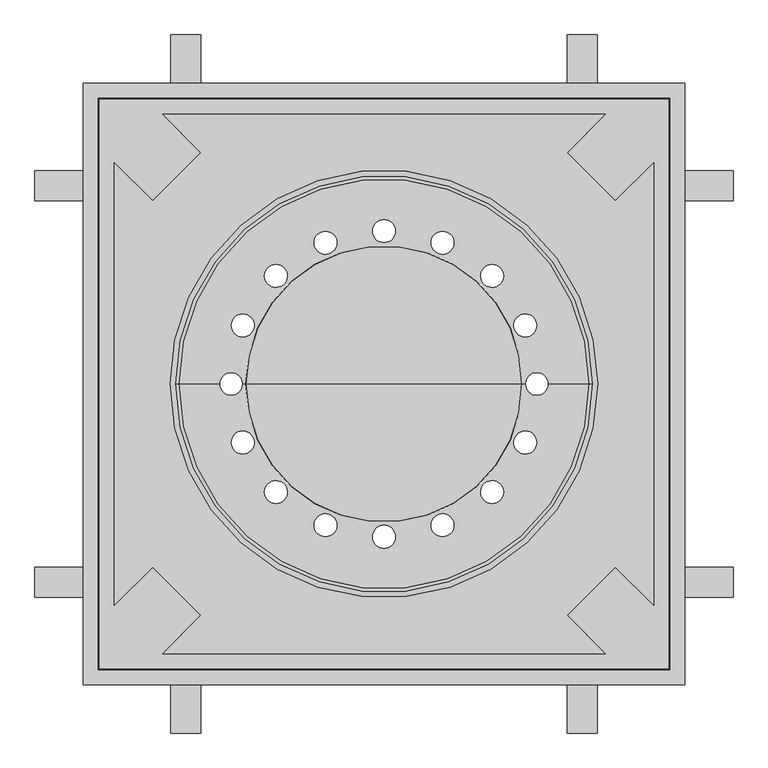
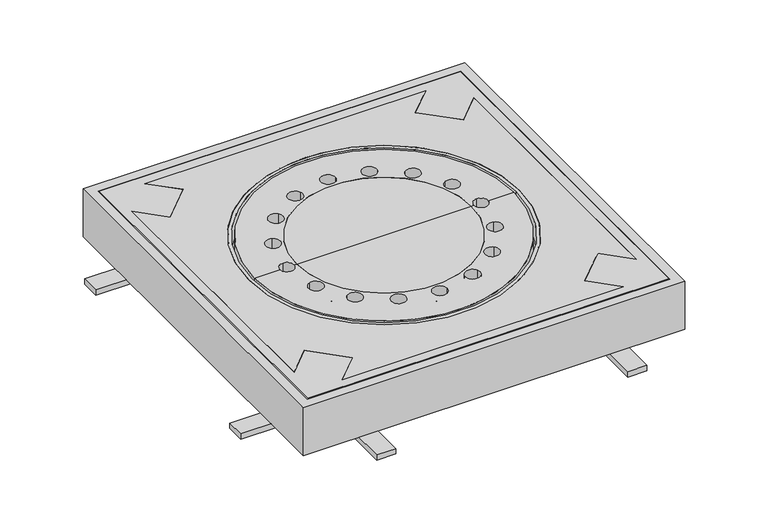
"""IFC4 building model written with IfcOpenShell, lengths in millimetres: sanitary terminal geometry."""

from ifc_helpers import new_model, si_unit, point, frame, origin, origin_with_axes, origin_2d, place, context, project, spatial, polyline, circle_curve, ellipse_curve, trimmed, segment, composite_curve, outline, extrude, faceted_brep, source, transform, mapped, element, save
from ifc_brep_helpers import plane_surface, cylinder_surface, revolved_surface, advanced_brep


def sanitary_terminal_23258b8e(model_context):
    return source(origin(), model_context, "Body", "SolidModel", [
        advanced_brep(
        [(-303.6832311, 0.0, -30.0), (303.6832311, 0.0, -30.0), (273.0005586, 0.0, -30.0), (254.0006061, 18.9999525, -30.0), (235.0006536, 0.0, -30.0), (230.9898986, 0.0, -30.0), (-230.9898986, 0.0, -30.0), (-235.0006536, 0.0, -30.0), (-254.0006061, 18.9999525, -30.0), (-273.0005586, 0.0, -30.0), (18.9999525, 254.0006061, -30.0), (-18.9999525, 254.0006061, -30.0), (114.755491, 227.3949942, -30.0), (79.6481565, 241.9369282, -30.0), (-79.6481565, 241.9369282, -30.0), (-114.755491, 227.3949942, -30.0), (-166.1705557, 193.0405462, -30.0), (-193.0405462, 166.1705557, -30.0), (-227.3949942, 114.755491, -30.0), (-241.9369282, 79.6481565, -30.0), (241.9369282, 79.6481565, -30.0), (227.3949942, 114.755491, -30.0), (193.0405462, 166.1705557, -30.0), (166.1705557, 193.0405462, -30.0), (-254.0006061, -18.9999525, -30.0), (254.0006061, -18.9999525, -30.0), (-241.9369282, -79.6481565, -30.0), (-227.3949942, -114.755491, -30.0), (-193.0405462, -166.1705557, -30.0), (-166.1705557, -193.0405462, -30.0), (-114.755491, -227.3949942, -30.0), (-79.6481565, -241.9369282, -30.0), (-18.9999525, -254.0006061, -30.0), (18.9999525, -254.0006061, -30.0), (79.6481565, -241.9369282, -30.0), (114.755491, -227.3949942, -30.0), (166.1705557, -193.0405462, -30.0), (193.0405462, -166.1705557, -30.0), (227.3949942, -114.755491, -30.0), (241.9369282, -79.6481565, -30.0), (-303.6832311, 0.0, -50.0), (303.6832311, 0.0, -50.0), (-340.0, 0.0, -50.0), (340.0, 0.0, -50.0), (-340.0, 0.0, 0.0), (340.0, 0.0, 0.0), (-273.0005586, 0.0, 0.0), (-254.0006061, 18.9999525, 0.0), (-235.0006536, 0.0, 0.0), (-229.2856784, 0.0, 0.0), (229.2856784, 0.0, 0.0), (235.0006536, 0.0, 0.0), (254.0006061, 18.9999525, 0.0), (273.0005586, 0.0, 0.0), (-18.9999525, 254.0006061, 0.0), (18.9999525, 254.0006061, 0.0), (79.6481565, 241.9369282, 0.0), (114.755491, 227.3949942, 0.0), (-114.755491, 227.3949942, 0.0), (-79.6481565, 241.9369282, 0.0), (-193.0405462, 166.1705557, 0.0), (-166.1705557, 193.0405462, 0.0), (-241.9369282, 79.6481565, 0.0), (-227.3949942, 114.755491, 0.0), (227.3949942, 114.755491, 0.0), (241.9369282, 79.6481565, 0.0), (166.1705557, 193.0405462, 0.0), (193.0405462, 166.1705557, 0.0), (254.0006061, -18.9999525, 0.0), (-254.0006061, -18.9999525, 0.0), (-227.3949942, -114.755491, 0.0), (-241.9369282, -79.6481565, 0.0), (-166.1705557, -193.0405462, 0.0), (-193.0405462, -166.1705557, 0.0), (-79.6481565, -241.9369282, 0.0), (-114.755491, -227.3949942, 0.0), (18.9999525, -254.0006061, 0.0), (-18.9999525, -254.0006061, 0.0), (114.755491, -227.3949942, 0.0), (79.6481565, -241.9369282, 0.0), (193.0405462, -166.1705557, 0.0), (166.1705557, -193.0405462, 0.0), (241.9369282, -79.6481565, 0.0), (227.3949942, -114.755491, 0.0), (-124.960464, 0.0, -90.0), (124.960464, 0.0, -90.0), (0.0, 0.0, -90.0), (-124.9816933, 0.0, -100.0), (124.9816933, 0.0, -100.0), (0.0, 0.0, -100.0)],
        [
            (0, 1, circle_curve(frame((0.0, 0.0, -30.0), z_axis=(0.0, 0.0, -1.0), x_axis=(1.0, 0.0, 0.0)), 303.6832311)),
            (1, 2),
            (2, 3, circle_curve(frame((254.0006061, 0.0, -30.0), z_axis=(0.0, 0.0, 1.0), x_axis=(0.0, 1.0, 0.0)), 18.9999525)),
            (3, 4, circle_curve(frame((254.0006061, 0.0, -30.0), z_axis=(0.0, 0.0, 1.0), x_axis=(0.0, 1.0, 0.0)), 18.9999525)),
            (4, 5),
            (5, 6, circle_curve(frame((0.0, 0.0, -30.0), z_axis=(0.0, 0.0, 1.0), x_axis=(1.0, 0.0, 0.0)), 230.9898986)),
            (6, 7),
            (7, 8, circle_curve(frame((-254.0006061, 0.0, -30.0), z_axis=(0.0, 0.0, 1.0), x_axis=(0.0, -1.0, 0.0)), 18.9999525)),
            (8, 9, circle_curve(frame((-254.0006061, 0.0, -30.0), z_axis=(0.0, 0.0, 1.0), x_axis=(0.0, -1.0, 0.0)), 18.9999525)),
            (9, 0),
            (10, 11, circle_curve(frame((0.0, 254.0006061, -30.0), z_axis=(0.0, 0.0, 1.0), x_axis=(-1.0, 0.0, 0.0)), 18.9999525)),
            (11, 10, circle_curve(frame((0.0, 254.0006061, -30.0), z_axis=(0.0, 0.0, 1.0), x_axis=(-1.0, 0.0, 0.0)), 18.9999525)),
            (12, 13, circle_curve(frame((97.2018238, 234.6659612, -30.0), z_axis=(0.0, 0.0, 1.0), x_axis=(-0.9238795325112796, 0.3826834323651073, 0.0)), 18.9999525)),
            (13, 12, circle_curve(frame((97.2018238, 234.6659612, -30.0), z_axis=(0.0, 0.0, 1.0), x_axis=(-0.9238795325112796, 0.3826834323651073, 0.0)), 18.9999525)),
            (14, 15, circle_curve(frame((-97.2018238, 234.6659612, -30.0), z_axis=(0.0, 0.0, 1.0), x_axis=(-0.9238795325112918, -0.3826834323650778, 0.0)), 18.9999525)),
            (15, 14, circle_curve(frame((-97.2018238, 234.6659612, -30.0), z_axis=(0.0, 0.0, 1.0), x_axis=(-0.9238795325112918, -0.3826834323650778, 0.0)), 18.9999525)),
            (16, 17, circle_curve(frame((-179.605551, 179.605551, -30.0), z_axis=(0.0, 0.0, 1.0), x_axis=(-0.7071067811865571, -0.7071067811865379, 0.0)), 18.9999525)),
            (17, 16, circle_curve(frame((-179.605551, 179.605551, -30.0), z_axis=(0.0, 0.0, 1.0), x_axis=(-0.7071067811865571, -0.7071067811865379, 0.0)), 18.9999525)),
            (18, 19, circle_curve(frame((-234.6659612, 97.2018238, -30.0), z_axis=(0.0, 0.0, 1.0), x_axis=(-0.38268343236510255, -0.9238795325112815, 0.0)), 18.9999525)),
            (19, 18, circle_curve(frame((-234.6659612, 97.2018238, -30.0), z_axis=(0.0, 0.0, 1.0), x_axis=(-0.38268343236510255, -0.9238795325112815, 0.0)), 18.9999525)),
            (20, 21, circle_curve(frame((234.6659612, 97.2018238, -30.0), z_axis=(0.0, 0.0, 1.0), x_axis=(-0.38268343236506164, 0.9238795325112984, 0.0)), 18.9999525)),
            (21, 20, circle_curve(frame((234.6659612, 97.2018238, -30.0), z_axis=(0.0, 0.0, 1.0), x_axis=(-0.38268343236506164, 0.9238795325112984, 0.0)), 18.9999525)),
            (22, 23, circle_curve(frame((179.605551, 179.605551, -30.0), z_axis=(0.0, 0.0, 1.0), x_axis=(-0.7071067811865347, 0.7071067811865603, 0.0)), 18.9999525)),
            (23, 22, circle_curve(frame((179.605551, 179.605551, -30.0), z_axis=(0.0, 0.0, 1.0), x_axis=(-0.7071067811865347, 0.7071067811865603, 0.0)), 18.9999525)),
            (1, 0, circle_curve(frame((0.0, 0.0, -30.0), z_axis=(0.0, 0.0, -1.0), x_axis=(1.0, 0.0, 0.0)), 303.6832311)),
            (9, 24, circle_curve(frame((-254.0006061, 0.0, -30.0), z_axis=(0.0, 0.0, 1.0), x_axis=(0.0, -1.0, 0.0)), 18.9999525)),
            (24, 7, circle_curve(frame((-254.0006061, 0.0, -30.0), z_axis=(0.0, 0.0, 1.0), x_axis=(0.0, -1.0, 0.0)), 18.9999525)),
            (6, 5, circle_curve(frame((0.0, 0.0, -30.0), z_axis=(0.0, 0.0, 1.0), x_axis=(1.0, 0.0, 0.0)), 230.9898986)),
            (4, 25, circle_curve(frame((254.0006061, 0.0, -30.0), z_axis=(0.0, 0.0, 1.0), x_axis=(0.0, 1.0, 0.0)), 18.9999525)),
            (25, 2, circle_curve(frame((254.0006061, 0.0, -30.0), z_axis=(0.0, 0.0, 1.0), x_axis=(0.0, 1.0, 0.0)), 18.9999525)),
            (26, 27, circle_curve(frame((-234.6659612, -97.2018238, -30.0), z_axis=(0.0, 0.0, 1.0), x_axis=(0.38268343236507624, -0.9238795325112924, 0.0)), 18.9999525)),
            (27, 26, circle_curve(frame((-234.6659612, -97.2018238, -30.0), z_axis=(0.0, 0.0, 1.0), x_axis=(0.38268343236507624, -0.9238795325112924, 0.0)), 18.9999525)),
            (28, 29, circle_curve(frame((-179.605551, -179.605551, -30.0), z_axis=(0.0, 0.0, 1.0), x_axis=(0.7071067811865321, -0.7071067811865629, 0.0)), 18.9999525)),
            (29, 28, circle_curve(frame((-179.605551, -179.605551, -30.0), z_axis=(0.0, 0.0, 1.0), x_axis=(0.7071067811865321, -0.7071067811865629, 0.0)), 18.9999525)),
            (30, 31, circle_curve(frame((-97.2018238, -234.6659612, -30.0), z_axis=(0.0, 0.0, 1.0), x_axis=(0.9238795325112761, -0.3826834323651156, 0.0)), 18.9999525)),
            (31, 30, circle_curve(frame((-97.2018238, -234.6659612, -30.0), z_axis=(0.0, 0.0, 1.0), x_axis=(0.9238795325112761, -0.3826834323651156, 0.0)), 18.9999525)),
            (32, 33, circle_curve(frame((0.0, -254.0006061, -30.0), z_axis=(0.0, 0.0, 1.0), x_axis=(1.0, 0.0, 0.0)), 18.9999525)),
            (33, 32, circle_curve(frame((0.0, -254.0006061, -30.0), z_axis=(0.0, 0.0, 1.0), x_axis=(1.0, 0.0, 0.0)), 18.9999525)),
            (34, 35, circle_curve(frame((97.2018238, -234.6659612, -30.0), z_axis=(0.0, 0.0, 1.0), x_axis=(0.9238795325112981, 0.3826834323650626, 0.0)), 18.9999525)),
            (35, 34, circle_curve(frame((97.2018238, -234.6659612, -30.0), z_axis=(0.0, 0.0, 1.0), x_axis=(0.9238795325112981, 0.3826834323650626, 0.0)), 18.9999525)),
            (36, 37, circle_curve(frame((179.605551, -179.605551, -30.0), z_axis=(0.0, 0.0, 1.0), x_axis=(0.7071067811865687, 0.7071067811865264, 0.0)), 18.9999525)),
            (37, 36, circle_curve(frame((179.605551, -179.605551, -30.0), z_axis=(0.0, 0.0, 1.0), x_axis=(0.7071067811865687, 0.7071067811865264, 0.0)), 18.9999525)),
            (38, 39, circle_curve(frame((234.6659612, -97.2018238, -30.0), z_axis=(0.0, 0.0, 1.0), x_axis=(0.3826834323651171, 0.9238795325112755, 0.0)), 18.9999525)),
            (39, 38, circle_curve(frame((234.6659612, -97.2018238, -30.0), z_axis=(0.0, 0.0, 1.0), x_axis=(0.3826834323651171, 0.9238795325112755, 0.0)), 18.9999525)),
            (0, 40),
            (40, 41, circle_curve(frame((0.0, 0.0, -50.0), z_axis=(0.0, 0.0, -1.0), x_axis=(1.0, 0.0, 0.0)), 303.6832311)),
            (41, 1),
            (41, 40, circle_curve(frame((0.0, 0.0, -50.0), z_axis=(0.0, 0.0, -1.0), x_axis=(1.0, 0.0, 0.0)), 303.6832311)),
            (40, 42),
            (42, 43, circle_curve(frame((0.0, 0.0, -50.0), z_axis=(0.0, 0.0, -1.0), x_axis=(1.0, 0.0, 0.0)), 340.0)),
            (43, 41),
            (43, 42, circle_curve(frame((0.0, 0.0, -50.0), z_axis=(0.0, 0.0, -1.0), x_axis=(1.0, 0.0, 0.0)), 340.0)),
            (42, 44),
            (44, 45, circle_curve(frame((0.0, 0.0, 0.0), z_axis=(0.0, 0.0, -1.0), x_axis=(1.0, 0.0, 0.0)), 340.0)),
            (45, 43),
            (45, 44, circle_curve(frame((0.0, 0.0, 0.0), z_axis=(0.0, 0.0, -1.0), x_axis=(1.0, 0.0, 0.0)), 340.0)),
            (44, 46),
            (46, 47, circle_curve(frame((-254.0006061, 0.0, 0.0), z_axis=(0.0, 0.0, -1.0), x_axis=(0.0, -1.0, 0.0)), 18.9999525)),
            (47, 48, circle_curve(frame((-254.0006061, 0.0, 0.0), z_axis=(0.0, 0.0, -1.0), x_axis=(0.0, -1.0, 0.0)), 18.9999525)),
            (48, 49),
            (49, 50, circle_curve(frame((0.0, 0.0, 0.0), z_axis=(0.0, 0.0, -1.0), x_axis=(1.0, 0.0, 0.0)), 229.2856784)),
            (50, 51),
            (51, 52, circle_curve(frame((254.0006061, 0.0, 0.0), z_axis=(0.0, 0.0, -1.0), x_axis=(0.0, 1.0, 0.0)), 18.9999525)),
            (52, 53, circle_curve(frame((254.0006061, 0.0, 0.0), z_axis=(0.0, 0.0, -1.0), x_axis=(0.0, 1.0, 0.0)), 18.9999525)),
            (53, 45),
            (54, 55, circle_curve(frame((0.0, 254.0006061, 0.0), z_axis=(0.0, 0.0, -1.0), x_axis=(-1.0, 0.0, 0.0)), 18.9999525)),
            (55, 54, circle_curve(frame((0.0, 254.0006061, 0.0), z_axis=(0.0, 0.0, -1.0), x_axis=(-1.0, 0.0, 0.0)), 18.9999525)),
            (56, 57, circle_curve(frame((97.2018238, 234.6659612, 0.0), z_axis=(0.0, 0.0, -1.0), x_axis=(-0.9238795325112796, 0.3826834323651073, 0.0)), 18.9999525)),
            (57, 56, circle_curve(frame((97.2018238, 234.6659612, 0.0), z_axis=(0.0, 0.0, -1.0), x_axis=(-0.9238795325112796, 0.3826834323651073, 0.0)), 18.9999525)),
            (58, 59, circle_curve(frame((-97.2018238, 234.6659612, 0.0), z_axis=(0.0, 0.0, -1.0), x_axis=(-0.9238795325112918, -0.3826834323650778, 0.0)), 18.9999525)),
            (59, 58, circle_curve(frame((-97.2018238, 234.6659612, 0.0), z_axis=(0.0, 0.0, -1.0), x_axis=(-0.9238795325112918, -0.3826834323650778, 0.0)), 18.9999525)),
            (60, 61, circle_curve(frame((-179.605551, 179.605551, 0.0), z_axis=(0.0, 0.0, -1.0), x_axis=(-0.7071067811865571, -0.7071067811865379, 0.0)), 18.9999525)),
            (61, 60, circle_curve(frame((-179.605551, 179.605551, 0.0), z_axis=(0.0, 0.0, -1.0), x_axis=(-0.7071067811865571, -0.7071067811865379, 0.0)), 18.9999525)),
            (62, 63, circle_curve(frame((-234.6659612, 97.2018238, 0.0), z_axis=(0.0, 0.0, -1.0), x_axis=(-0.38268343236510255, -0.9238795325112815, 0.0)), 18.9999525)),
            (63, 62, circle_curve(frame((-234.6659612, 97.2018238, 0.0), z_axis=(0.0, 0.0, -1.0), x_axis=(-0.38268343236510255, -0.9238795325112815, 0.0)), 18.9999525)),
            (64, 65, circle_curve(frame((234.6659612, 97.2018238, 0.0), z_axis=(0.0, 0.0, -1.0), x_axis=(-0.38268343236506164, 0.9238795325112984, 0.0)), 18.9999525)),
            (65, 64, circle_curve(frame((234.6659612, 97.2018238, 0.0), z_axis=(0.0, 0.0, -1.0), x_axis=(-0.38268343236506164, 0.9238795325112984, 0.0)), 18.9999525)),
            (66, 67, circle_curve(frame((179.605551, 179.605551, 0.0), z_axis=(0.0, 0.0, -1.0), x_axis=(-0.7071067811865347, 0.7071067811865603, 0.0)), 18.9999525)),
            (67, 66, circle_curve(frame((179.605551, 179.605551, 0.0), z_axis=(0.0, 0.0, -1.0), x_axis=(-0.7071067811865347, 0.7071067811865603, 0.0)), 18.9999525)),
            (53, 68, circle_curve(frame((254.0006061, 0.0, 0.0), z_axis=(0.0, 0.0, -1.0), x_axis=(0.0, 1.0, 0.0)), 18.9999525)),
            (68, 51, circle_curve(frame((254.0006061, 0.0, 0.0), z_axis=(0.0, 0.0, -1.0), x_axis=(0.0, 1.0, 0.0)), 18.9999525)),
            (50, 49, circle_curve(frame((0.0, 0.0, 0.0), z_axis=(0.0, 0.0, -1.0), x_axis=(1.0, 0.0, 0.0)), 229.2856784)),
            (48, 69, circle_curve(frame((-254.0006061, 0.0, 0.0), z_axis=(0.0, 0.0, -1.0), x_axis=(0.0, -1.0, 0.0)), 18.9999525)),
            (69, 46, circle_curve(frame((-254.0006061, 0.0, 0.0), z_axis=(0.0, 0.0, -1.0), x_axis=(0.0, -1.0, 0.0)), 18.9999525)),
            (70, 71, circle_curve(frame((-234.6659612, -97.2018238, 0.0), z_axis=(0.0, 0.0, -1.0), x_axis=(0.38268343236507624, -0.9238795325112924, 0.0)), 18.9999525)),
            (71, 70, circle_curve(frame((-234.6659612, -97.2018238, 0.0), z_axis=(0.0, 0.0, -1.0), x_axis=(0.38268343236507624, -0.9238795325112924, 0.0)), 18.9999525)),
            (72, 73, circle_curve(frame((-179.605551, -179.605551, 0.0), z_axis=(0.0, 0.0, -1.0), x_axis=(0.7071067811865321, -0.7071067811865629, 0.0)), 18.9999525)),
            (73, 72, circle_curve(frame((-179.605551, -179.605551, 0.0), z_axis=(0.0, 0.0, -1.0), x_axis=(0.7071067811865321, -0.7071067811865629, 0.0)), 18.9999525)),
            (74, 75, circle_curve(frame((-97.2018238, -234.6659612, 0.0), z_axis=(0.0, 0.0, -1.0), x_axis=(0.9238795325112761, -0.3826834323651156, 0.0)), 18.9999525)),
            (75, 74, circle_curve(frame((-97.2018238, -234.6659612, 0.0), z_axis=(0.0, 0.0, -1.0), x_axis=(0.9238795325112761, -0.3826834323651156, 0.0)), 18.9999525)),
            (76, 77, circle_curve(frame((0.0, -254.0006061, 0.0), z_axis=(0.0, 0.0, -1.0), x_axis=(1.0, 0.0, 0.0)), 18.9999525)),
            (77, 76, circle_curve(frame((0.0, -254.0006061, 0.0), z_axis=(0.0, 0.0, -1.0), x_axis=(1.0, 0.0, 0.0)), 18.9999525)),
            (78, 79, circle_curve(frame((97.2018238, -234.6659612, 0.0), z_axis=(0.0, 0.0, -1.0), x_axis=(0.9238795325112981, 0.3826834323650626, 0.0)), 18.9999525)),
            (79, 78, circle_curve(frame((97.2018238, -234.6659612, 0.0), z_axis=(0.0, 0.0, -1.0), x_axis=(0.9238795325112981, 0.3826834323650626, 0.0)), 18.9999525)),
            (80, 81, circle_curve(frame((179.605551, -179.605551, 0.0), z_axis=(0.0, 0.0, -1.0), x_axis=(0.7071067811865687, 0.7071067811865264, 0.0)), 18.9999525)),
            (81, 80, circle_curve(frame((179.605551, -179.605551, 0.0), z_axis=(0.0, 0.0, -1.0), x_axis=(0.7071067811865687, 0.7071067811865264, 0.0)), 18.9999525)),
            (82, 83, circle_curve(frame((234.6659612, -97.2018238, 0.0), z_axis=(0.0, 0.0, -1.0), x_axis=(0.3826834323651171, 0.9238795325112755, 0.0)), 18.9999525)),
            (83, 82, circle_curve(frame((234.6659612, -97.2018238, 0.0), z_axis=(0.0, 0.0, -1.0), x_axis=(0.3826834323651171, 0.9238795325112755, 0.0)), 18.9999525)),
            (49, 84, circle_curve(frame((-124.5000305, 0.0, 15.999), z_axis=(0.0, -1.0, 0.0), x_axis=(-1.0, 0.0, 0.0)), 106.0)),
            (84, 85, circle_curve(frame((0.0, 0.0, -90.0), z_axis=(0.0, 0.0, -1.0), x_axis=(1.0, 0.0, 0.0)), 124.960464)),
            (85, 50, circle_curve(frame((124.5000305, 0.0, 15.999), z_axis=(0.0, -1.0, 0.0), x_axis=(1.0, 0.0, 0.0)), 106.0)),
            (85, 84, circle_curve(frame((0.0, 0.0, -90.0), z_axis=(0.0, 0.0, -1.0), x_axis=(1.0, 0.0, 0.0)), 124.960464)),
            (84, 86),
            (86, 85),
            (87, 88, circle_curve(frame((0.0, 0.0, -100.0), z_axis=(0.0, 0.0, -1.0), x_axis=(1.0, 0.0, 0.0)), 124.9816933)),
            (88, 89),
            (89, 87),
            (88, 87, circle_curve(frame((0.0, 0.0, -100.0), z_axis=(0.0, 0.0, -1.0), x_axis=(1.0, 0.0, 0.0)), 124.9816933)),
            (5, 88, circle_curve(frame((124.5000305, 0.0, 15.999), z_axis=(0.0, 1.0, 0.0), x_axis=(1.0, 0.0, 0.0)), 116.0)),
            (87, 6, circle_curve(frame((-124.5000305, 0.0, 15.999), z_axis=(0.0, 1.0, 0.0), x_axis=(-1.0, 0.0, 0.0)), 116.0)),
            (10, 55),
            (54, 11),
            (12, 57),
            (56, 13),
            (14, 59),
            (58, 15),
            (16, 61),
            (60, 17),
            (18, 63),
            (62, 19),
            (8, 47),
            (69, 24),
            (26, 71),
            (70, 27),
            (28, 73),
            (72, 29),
            (30, 75),
            (74, 31),
            (32, 77),
            (76, 33),
            (34, 79),
            (78, 35),
            (36, 81),
            (80, 37),
            (38, 83),
            (82, 39),
            (25, 68),
            (52, 3),
            (20, 65),
            (64, 21),
            (22, 67),
            (66, 23),
        ],
        [
            plane_surface(frame((0.0, 0.0, -30.0), z_axis=(0.0, 0.0, -1.0), x_axis=(1.0, 0.0, 0.0))),
            revolved_surface(polyline([(303.6832311, 0.0, -30.0), (303.6832311, 0.0, -50.0)]), (0.0, 0.0, 261.777197), (0.0, 0.0, 1.0)),
            plane_surface(frame((0.0, 0.0, -50.0), z_axis=(0.0, 0.0, -1.0), x_axis=(1.0, 0.0, 0.0))),
            cylinder_surface(frame((0.0, 0.0, 261.777197), z_axis=(0.0, 0.0, 1.0), x_axis=(1.0, 0.0, 0.0)), 340.0),
            plane_surface(origin_with_axes()),
            revolved_surface(trimmed(ellipse_curve(frame((124.5000305, 0.0, 15.999), z_axis=(0.0, 1.0, 0.0), x_axis=(1.0, 0.0, 0.0)), 106.0, 106.0), [point((229.2856784, 0.0, 0.0))], [point((124.960464, 0.0, -90.0))], True, "CARTESIAN"), (0.0, 0.0, 261.777197), (0.0, 0.0, 1.0)),
            plane_surface(frame((0.0, 0.0, -90.0), z_axis=(0.0, 0.0, 1.0), x_axis=(1.0, 0.0, 0.0))),
            plane_surface(frame((0.0, 0.0, -100.0), z_axis=(0.0, 0.0, -1.0), x_axis=(1.0, 0.0, 0.0))),
            revolved_surface(trimmed(ellipse_curve(frame((124.5000305, 0.0, 15.999), z_axis=(0.0, -1.0, 0.0), x_axis=(1.0, 0.0, 0.0)), 116.0, 116.0), [point((124.9816933, 0.0, -100.0))], [point((230.9898986, 0.0, -30.0))], True, "CARTESIAN"), (0.0, 0.0, 261.777197), (0.0, 0.0, 1.0)),
            revolved_surface(polyline([(-18.9999525, 254.0006061, 0.0), (-18.9999525, 254.0006061, -30.0)]), (0.0, 254.0006061, -140.0), (0.0, 0.0, 1.0)),
            revolved_surface(polyline([(79.64815656656349, 241.936928237474, 5.684341886080802e-14), (79.64815656656349, 241.936928237474, -29.999999999999943)]), (97.2018238, 234.6659612, -140.0), (0.0, 0.0, 1.0000000000000002)),
            revolved_surface(polyline([(-114.75549103343675, 227.39499416252656, 5.684341886080802e-14), (-114.75549103343675, 227.39499416252656, -29.999999999999943)]), (-97.2018238, 234.6659612, -140.0), (0.0, 0.0, 1.0000000000000002)),
            revolved_surface(polyline([(-193.04054625497247, 166.17055574502788, 0.0), (-193.04054625497247, 166.17055574502788, -30.0)]), (-179.605551, 179.605551, -140.0), (0.0, 0.0, 1.0)),
            revolved_surface(polyline([(-241.93692823747392, 79.64815656656344, 0.0), (-241.93692823747392, 79.64815656656344, -30.0)]), (-234.6659612, 97.2018238, -140.0), (0.0, 0.0, 1.0)),
            revolved_surface(polyline([(-254.0006061, -18.9999525, 0.0), (-254.0006061, -18.9999525, -30.0)]), (-254.0006061, 0.0, -140.0), (0.0, 0.0, 1.0)),
            revolved_surface(polyline([(-227.3949941625266, -114.75549103343675, 0.0), (-227.3949941625266, -114.75549103343675, -30.0)]), (-234.6659612, -97.2018238, -140.0), (0.0, 0.0, 1.0)),
            revolved_surface(polyline([(-166.170555745028, -193.04054625497258, 0.0), (-166.170555745028, -193.04054625497258, -30.0)]), (-179.605551, -179.605551, -140.0), (0.0, 0.0, 1.0)),
            revolved_surface(polyline([(-79.64815656656356, -241.93692823747415, 0.0), (-79.64815656656356, -241.93692823747415, -30.0)]), (-97.2018238, -234.6659612, -140.0), (0.0, 0.0, 1.0)),
            revolved_surface(polyline([(18.9999525, -254.0006061, 0.0), (18.9999525, -254.0006061, -30.0)]), (0.0, -254.0006061, -140.0), (0.0, 0.0, 1.0)),
            revolved_surface(polyline([(114.75549103343687, -227.39499416252684, 0.0), (114.75549103343687, -227.39499416252684, -30.0)]), (97.2018238, -234.6659612, -140.0), (0.0, 0.0, 1.0)),
            revolved_surface(polyline([(193.0405462549727, -166.1705557450281, 0.0), (193.0405462549727, -166.1705557450281, -30.0)]), (179.605551, -179.605551, -140.0), (0.0, 0.0, 1.0)),
            revolved_surface(polyline([(241.93692823747418, -79.64815656656356, 0.0), (241.93692823747418, -79.64815656656356, -30.0)]), (234.6659612, -97.2018238, -140.0), (0.0, 0.0, 1.0)),
            revolved_surface(polyline([(254.0006061, 18.9999525, 0.0), (254.0006061, 18.9999525, -30.0)]), (254.0006061, 0.0, -140.0), (0.0, 0.0, 1.0)),
            revolved_surface(polyline([(227.39499416252687, 114.75549103343687, 0.0), (227.39499416252687, 114.75549103343687, -30.0)]), (234.6659612, 97.2018238, -140.0), (0.0, 0.0, 1.0)),
            revolved_surface(polyline([(166.17055574502794, 193.04054625497253, 0.0), (166.17055574502794, 193.04054625497253, -30.0)]), (179.605551, 179.605551, -140.0), (0.0, 0.0, 1.0)),
        ],
        [
            (0, [[1, 2, 3, 4, 5, 6, 7, 8, 9, 10], [11, 12], [13, 14], [15, 16], [17, 18], [19, 20], [21, 22], [23, 24]]),
            (0, [[25, -10, 26, 27, -7, 28, -5, 29, 30, -2], [31, 32], [33, 34], [35, 36], [37, 38], [39, 40], [41, 42], [43, 44]]),
            (1, [[-1, 45, 46, 47]]),
            (1, [[-25, -47, 48, -45]]),
            (2, [[-46, 49, 50, 51]]),
            (2, [[-48, -51, 52, -49]]),
            (3, [[-50, 53, 54, 55]]),
            (3, [[-52, -55, 56, -53]]),
            (4, [[-54, 57, 58, 59, 60, 61, 62, 63, 64, 65], [66, 67], [68, 69], [70, 71], [72, 73], [74, 75], [76, 77], [78, 79]]),
            (4, [[-56, -65, 80, 81, -62, 82, -60, 83, 84, -57], [85, 86], [87, 88], [89, 90], [91, 92], [93, 94], [95, 96], [97, 98]]),
            (5, [[-61, 99, 100, 101]]),
            (5, [[-82, -101, 102, -99]]),
            (6, [[-100, 103, 104]]),
            (6, [[-102, -104, -103]]),
            (7, [[105, 106, 107]]),
            (7, [[-106, 108, -107]]),
            (8, [[-6, 109, -105, 110]]),
            (8, [[-28, -110, -108, -109]]),
            (9, [[111, -66, 112, -11]]),
            (9, [[-111, -12, -112, -67]]),
            (10, [[113, -68, 114, -13]]),
            (10, [[-113, -14, -114, -69]]),
            (11, [[115, -70, 116, -15]]),
            (11, [[-115, -16, -116, -71]]),
            (12, [[117, -72, 118, -17]]),
            (12, [[-117, -18, -118, -73]]),
            (13, [[119, -74, 120, -19]]),
            (13, [[-119, -20, -120, -75]]),
            (14, [[121, -58, -84, 122, -26, -9]]),
            (14, [[-121, -8, -27, -122, -83, -59]]),
            (15, [[123, -85, 124, -31]]),
            (15, [[-123, -32, -124, -86]]),
            (16, [[125, -87, 126, -33]]),
            (16, [[-125, -34, -126, -88]]),
            (17, [[127, -89, 128, -35]]),
            (17, [[-127, -36, -128, -90]]),
            (18, [[129, -91, 130, -37]]),
            (18, [[-129, -38, -130, -92]]),
            (19, [[131, -93, 132, -39]]),
            (19, [[-131, -40, -132, -94]]),
            (20, [[133, -95, 134, -41]]),
            (20, [[-133, -42, -134, -96]]),
            (21, [[135, -97, 136, -43]]),
            (21, [[-135, -44, -136, -98]]),
            (22, [[137, -80, -64, 138, -3, -30]]),
            (22, [[-137, -29, -4, -138, -63, -81]]),
            (23, [[139, -76, 140, -21]]),
            (23, [[-139, -22, -140, -77]]),
            (24, [[141, -78, 142, -23]]),
            (24, [[-141, -24, -142, -79]]),
        ],
    ),
        advanced_brep(
        [(0.0, 0.0, -90.0), (-124.960464, 0.0, -90.0), (124.960464, 0.0, -90.0), (229.2856784, 0.0, 0.0), (-229.2856784, 0.0, 0.0), (0.0, 0.0, 0.0)],
        [
            (0, 1),
            (1, 2, circle_curve(frame((0.0, 0.0, -90.0), z_axis=(0.0, 0.0, -1.0), x_axis=(-1.0, 0.0, 0.0)), 124.960464)),
            (2, 0),
            (2, 1, circle_curve(frame((0.0, 0.0, -90.0), z_axis=(0.0, 0.0, -1.0), x_axis=(-1.0, 0.0, 0.0)), 124.960464)),
            (3, 4, circle_curve(frame((0.0, 0.0, 0.0), z_axis=(0.0, 0.0, 1.0), x_axis=(-1.0, 0.0, 0.0)), 229.2856784)),
            (4, 5),
            (5, 3),
            (4, 3, circle_curve(frame((0.0, 0.0, 0.0), z_axis=(0.0, 0.0, 1.0), x_axis=(-1.0, 0.0, 0.0)), 229.2856784)),
            (1, 4, circle_curve(frame((-124.960464, 0.0, 15.4652797), z_axis=(0.0, 1.0, 0.0), x_axis=(1.0, 0.0, 0.0)), 105.4652797)),
            (3, 2, circle_curve(frame((124.960464, 0.0, 15.4652797), z_axis=(0.0, 1.0, 0.0), x_axis=(-1.0, 0.0, 0.0)), 105.4652797)),
        ],
        [
            plane_surface(frame((0.0, 0.0, -90.0), z_axis=(0.0, 0.0, -1.0), x_axis=(-1.0, 0.0, 0.0))),
            plane_surface(frame((0.0, 0.0, 0.0), z_axis=(0.0, 0.0, 1.0), x_axis=(-1.0, 0.0, 0.0))),
            revolved_surface(trimmed(ellipse_curve(frame((-124.960464, 0.0, 15.4652797), z_axis=(0.0, -1.0, 0.0), x_axis=(1.0, 0.0, 0.0)), 105.4652797, 105.4652797), [point((-229.2856784, 0.0, 0.0))], [point((-124.960464, 0.0, -90.0))], True, "CARTESIAN"), (0.0, 0.0, 110.8537838), (0.0, 0.0, -1.0)),
        ],
        [
            (0, [[1, 2, 3]]),
            (0, [[-3, 4, -1]]),
            (1, [[5, 6, 7]]),
            (1, [[8, -7, -6]]),
            (2, [[-2, 9, -5, 10]]),
            (2, [[-4, -10, -8, -9]]),
        ],
    ),
        extrude(outline(polyline([(-354.3603897, 384.3603897), (-354.3603897, 580.0), (-304.3603897, 580.0), (-304.3603897, 384.3603897), (-354.3603897, 384.3603897)])), frame((0.0, 0.0, -148.0), z_axis=(0.0, 0.0, 1.0), x_axis=(1.0, 0.0, 0.0)), (0.0, 0.0, 1.0), 15.0),
        extrude(outline(polyline([(-580.0, 304.3603897), (-580.0, 354.3603897), (-384.3603897, 354.3603897), (-384.3603897, 304.3603897), (-580.0, 304.3603897)])), frame((0.0, 0.0, -148.0), z_axis=(0.0, 0.0, 1.0), x_axis=(1.0, 0.0, 0.0)), (0.0, 0.0, 1.0), 15.0),
        extrude(outline(polyline([(-580.0, -304.3603897), (-384.3603897, -304.3603897), (-384.3603897, -354.3603897), (-580.0, -354.3603897), (-580.0, -304.3603897)])), frame((0.0, 0.0, -148.0), z_axis=(0.0, 0.0, 1.0), x_axis=(1.0, 0.0, 0.0)), (0.0, 0.0, 1.0), 15.0),
        extrude(outline(polyline([(-354.3603897, -384.3603897), (-304.3603897, -384.3603897), (-304.3603897, -580.0), (-354.3603897, -580.0), (-354.3603897, -384.3603897)])), frame((0.0, 0.0, -148.0), z_axis=(0.0, 0.0, 1.0), x_axis=(1.0, 0.0, 0.0)), (0.0, 0.0, 1.0), 15.0),
        extrude(outline(polyline([(354.3603897, -384.3603897), (354.3603897, -580.0), (304.3603897, -580.0), (304.3603897, -384.3603897), (354.3603897, -384.3603897)])), frame((0.0, 0.0, -148.0), z_axis=(0.0, 0.0, 1.0), x_axis=(1.0, 0.0, 0.0)), (0.0, 0.0, 1.0), 15.0),
        extrude(outline(polyline([(580.0, -304.3603897), (580.0, -354.3603897), (384.3603897, -354.3603897), (384.3603897, -304.3603897), (580.0, -304.3603897)])), frame((0.0, 0.0, -148.0), z_axis=(0.0, 0.0, 1.0), x_axis=(1.0, 0.0, 0.0)), (0.0, 0.0, 1.0), 15.0),
        extrude(outline(polyline([(580.0, 304.3603897), (384.3603897, 304.3603897), (384.3603897, 354.3603897), (580.0, 354.3603897), (580.0, 304.3603897)])), frame((0.0, 0.0, -148.0), z_axis=(0.0, 0.0, 1.0), x_axis=(1.0, 0.0, 0.0)), (0.0, 0.0, 1.0), 15.0),
        extrude(outline(polyline([(354.3603897, 384.3603897), (304.3603897, 384.3603897), (304.3603897, 580.0), (354.3603897, 580.0), (354.3603897, 384.3603897)])), frame((0.0, 0.0, -148.0), z_axis=(0.0, 0.0, 1.0), x_axis=(1.0, 0.0, 0.0)), (0.0, 0.0, 1.0), 15.0),
        extrude(outline(polyline([(-384.3603897, 304.3603897), (-304.3603897, 384.3603897), (-368.0, 448.0), (368.0, 448.0), (304.3603897, 384.3603897), (384.3603897, 304.3603897), (448.0, 368.0), (448.0, -368.0), (384.3603897, -304.3603897), (304.3603897, -384.3603897), (368.0, -448.0), (-368.0, -448.0), (-304.3603897, -384.3603897), (-384.3603897, -304.3603897), (-448.0, -368.0), (-448.0, 368.0), (-384.3603897, 304.3603897)]), holes=[composite_curve([segment(trimmed(circle_curve(origin_2d(), 355.0), [point((355.0, 0.0))], [point((-355.0, 0.0))], True, "CARTESIAN"), True, "CONTINUOUS"), segment(trimmed(circle_curve(origin_2d(), 355.0), [point((-355.0, 0.0))], [point((355.0, 0.0))], True, "CARTESIAN"), True, "CONTINUOUS")], self_intersect=False)]), frame((0.0, 0.0, -101.0), z_axis=(0.0, 0.0, 1.0), x_axis=(1.0, 0.0, 0.0)), (0.0, 0.0, 1.0), 101.0),
        advanced_brep(
        [(473.0, 473.0, 0.0), (-473.0, 473.0, 0.0), (-473.0, -473.0, 0.0), (473.0, -473.0, 0.0), (-368.0, 448.0, 0.0), (368.0, 448.0, 0.0), (304.3603897, 384.3603897, 0.0), (384.3603897, 304.3603897, 0.0), (448.0, 368.0, 0.0), (448.0, -368.0, 0.0), (384.3603897, -304.3603897, 0.0), (304.3603897, -384.3603897, 0.0), (368.0, -448.0, 0.0), (-368.0, -448.0, 0.0), (-304.3603897, -384.3603897, 0.0), (-384.3603897, -304.3603897, 0.0), (-448.0, -368.0, 0.0), (-448.0, 368.0, 0.0), (-384.3603897, 304.3603897, 0.0), (-304.3603897, 384.3603897, 0.0), (355.0, 0.0, 0.0), (-355.0, 0.0, 0.0), (-345.8671871, 0.0, 0.0), (345.8671871, 0.0, 0.0), (473.0, 473.0, -103.0), (473.0, -473.0, -103.0), (-473.0, -473.0, -103.0), (-473.0, 473.0, -103.0), (303.6832311, 0.0, -103.0), (-303.6832311, 0.0, -103.0), (368.0, 448.0, -75.0), (-368.0, 448.0, -75.0), (-304.3603897, 384.3603897, -75.0), (-384.3603897, 304.3603897, -75.0), (-448.0, 368.0, -75.0), (-448.0, -368.0, -75.0), (-384.3603897, -304.3603897, -75.0), (-304.3603897, -384.3603897, -75.0), (-368.0, -448.0, -75.0), (368.0, -448.0, -75.0), (304.3603897, -384.3603897, -75.0), (384.3603897, -304.3603897, -75.0), (448.0, -368.0, -75.0), (448.0, 368.0, -75.0), (384.3603897, 304.3603897, -75.0), (304.3603897, 384.3603897, -75.0), (-355.0, 0.0, -75.0), (355.0, 0.0, -75.0), (303.6832311, 0.0, -50.0), (345.8671871, 0.0, -50.0), (-345.8671871, 0.0, -50.0), (-303.6832311, 0.0, -50.0)],
        [
            (0, 1),
            (1, 2),
            (2, 3),
            (3, 0),
            (4, 5),
            (5, 6),
            (6, 7),
            (7, 8),
            (8, 9),
            (9, 10),
            (10, 11),
            (11, 12),
            (12, 13),
            (13, 14),
            (14, 15),
            (15, 16),
            (16, 17),
            (17, 18),
            (18, 19),
            (19, 4),
            (20, 21, circle_curve(origin_with_axes(), 355.0)),
            (21, 20, circle_curve(origin_with_axes(), 355.0)),
            (22, 23, circle_curve(frame((0.0, 0.0, 0.0), z_axis=(0.0, 0.0, -1.0), x_axis=(-1.0, 0.0, 0.0)), 345.8671871)),
            (23, 22, circle_curve(frame((0.0, 0.0, 0.0), z_axis=(0.0, 0.0, -1.0), x_axis=(-1.0, 0.0, 0.0)), 345.8671871)),
            (24, 25),
            (25, 26),
            (26, 27),
            (27, 24),
            (28, 29, circle_curve(frame((0.0, 0.0, -103.0), z_axis=(0.0, 0.0, 1.0), x_axis=(-1.0, 0.0, 0.0)), 303.6832311)),
            (29, 28, circle_curve(frame((0.0, 0.0, -103.0), z_axis=(0.0, 0.0, 1.0), x_axis=(-1.0, 0.0, 0.0)), 303.6832311)),
            (0, 24),
            (27, 1),
            (26, 2),
            (25, 3),
            (30, 31),
            (31, 32),
            (32, 33),
            (33, 34),
            (34, 35),
            (35, 36),
            (36, 37),
            (37, 38),
            (38, 39),
            (39, 40),
            (40, 41),
            (41, 42),
            (42, 43),
            (43, 44),
            (44, 45),
            (45, 30),
            (46, 47, circle_curve(frame((0.0, 0.0, -75.0), z_axis=(0.0, 0.0, -1.0), x_axis=(1.0, 0.0, 0.0)), 355.0)),
            (47, 46, circle_curve(frame((0.0, 0.0, -75.0), z_axis=(0.0, 0.0, -1.0), x_axis=(1.0, 0.0, 0.0)), 355.0)),
            (30, 5),
            (4, 31),
            (19, 32),
            (18, 33),
            (17, 34),
            (16, 35),
            (15, 36),
            (14, 37),
            (13, 38),
            (12, 39),
            (11, 40),
            (10, 41),
            (9, 42),
            (8, 43),
            (7, 44),
            (6, 45),
            (46, 21),
            (20, 47),
            (48, 49),
            (49, 50, circle_curve(frame((0.0, 0.0, -50.0), z_axis=(0.0, 0.0, 1.0), x_axis=(-1.0, 0.0, 0.0)), 345.8671871)),
            (50, 51),
            (51, 48, circle_curve(frame((0.0, 0.0, -50.0), z_axis=(0.0, 0.0, -1.0), x_axis=(-1.0, 0.0, 0.0)), 303.6832311)),
            (48, 51, circle_curve(frame((0.0, 0.0, -50.0), z_axis=(0.0, 0.0, -1.0), x_axis=(-1.0, 0.0, 0.0)), 303.6832311)),
            (50, 49, circle_curve(frame((0.0, 0.0, -50.0), z_axis=(0.0, 0.0, 1.0), x_axis=(-1.0, 0.0, 0.0)), 345.8671871)),
            (51, 29),
            (28, 48),
            (49, 23),
            (22, 50),
        ],
        [
            plane_surface(frame((-304.7933619, 473.0, 0.0), z_axis=(0.0, 0.0, 1.0), x_axis=(-1.0, 0.0, 0.0))),
            plane_surface(frame((-304.7933619, 473.0, -103.0), z_axis=(0.0, 0.0, -1.0), x_axis=(1.0, 0.0, 0.0))),
            plane_surface(frame((473.0, 473.0, 0.0), z_axis=(0.0, 1.0, 0.0), x_axis=(0.0, 0.0, -1.0))),
            plane_surface(frame((-473.0, 473.0, 0.0), z_axis=(-1.0, 0.0, 0.0), x_axis=(0.0, 0.0, -1.0))),
            plane_surface(frame((-473.0, -473.0, 0.0), z_axis=(0.0, -1.0, 0.0), x_axis=(0.0, 0.0, -1.0))),
            plane_surface(frame((473.0, -473.0, 0.0), z_axis=(1.0, 0.0, 0.0), x_axis=(0.0, 0.0, -1.0))),
            plane_surface(frame((-376.1435677, 448.0, -75.0), z_axis=(0.0, 0.0, 1.0), x_axis=(1.0, 0.0, 0.0))),
            plane_surface(frame((368.0, 448.0, 0.0), z_axis=(0.0, -1.0, 0.0), x_axis=(0.0, 0.0, -1.0))),
            plane_surface(frame((-368.0, 448.0, 0.0), z_axis=(0.7071067811865491, 0.707106781186546, 0.0), x_axis=(0.0, 0.0, -1.0))),
            plane_surface(frame((-304.3603897, 384.3603897, 0.0), z_axis=(0.707106781186547, -0.7071067811865482, 0.0), x_axis=(0.0, 0.0, -1.0))),
            plane_surface(frame((-384.3603897, 304.3603897, 0.0), z_axis=(-0.707106781186549, -0.707106781186546, 0.0), x_axis=(0.0, 0.0, -1.0))),
            plane_surface(frame((-448.0, 368.0, 0.0), z_axis=(1.0, 0.0, 0.0), x_axis=(0.0, 0.0, -1.0))),
            plane_surface(frame((-448.0, -368.0, 0.0), z_axis=(-0.7071067811865471, 0.7071067811865479, 0.0), x_axis=(0.0, 0.0, -1.0))),
            plane_surface(frame((-384.3603897, -304.3603897, 0.0), z_axis=(0.7071067811865495, 0.7071067811865456, 0.0), x_axis=(0.0, 0.0, -1.0))),
            plane_surface(frame((-304.3603897, -384.3603897, 0.0), z_axis=(0.7071067811865468, -0.7071067811865483, 0.0), x_axis=(0.0, 0.0, -1.0))),
            plane_surface(frame((-368.0, -448.0, 0.0), z_axis=(0.0, 1.0, 0.0), x_axis=(0.0, 0.0, -1.0))),
            plane_surface(frame((368.0, -448.0, 0.0), z_axis=(-0.707106781186549, -0.707106781186546, 0.0), x_axis=(0.0, 0.0, -1.0))),
            plane_surface(frame((304.3603897, -384.3603897, 0.0), z_axis=(-0.7071067811865465, 0.7071067811865486, 0.0), x_axis=(0.0, 0.0, -1.0))),
            plane_surface(frame((384.3603897, -304.3603897, 0.0), z_axis=(0.7071067811865489, 0.7071067811865462, 0.0), x_axis=(0.0, 0.0, -1.0))),
            plane_surface(frame((448.0, -368.0, 0.0), z_axis=(-1.0, 0.0, 0.0), x_axis=(0.0, 0.0, -1.0))),
            plane_surface(frame((448.0, 368.0, 0.0), z_axis=(0.7071067811865466, -0.7071067811865485, 0.0), x_axis=(0.0, 0.0, -1.0))),
            plane_surface(frame((384.3603897, 304.3603897, 0.0), z_axis=(-0.7071067811865489, -0.7071067811865462, 0.0), x_axis=(0.0, 0.0, -1.0))),
            plane_surface(frame((304.3603897, 384.3603897, 0.0), z_axis=(-0.7071067811865472, 0.707106781186548, 0.0), x_axis=(0.0, 0.0, -1.0))),
            cylinder_surface(frame((0.0, 0.0, -140.0), z_axis=(0.0, 0.0, -1.0), x_axis=(1.0, 0.0, 0.0)), 355.0),
            plane_surface(frame((0.0, 0.0, -50.0), z_axis=(0.0, 0.0, 1.0), x_axis=(-1.0, 0.0, 0.0))),
            revolved_surface(polyline([(-303.6832311, 0.0, -103.0), (-303.6832311, 0.0, -50.0)]), (0.0, 0.0, 375.4677571), (0.0, 0.0, -1.0)),
            revolved_surface(polyline([(-345.8671871, 0.0, -50.0), (-345.8671871, 0.0, 0.0)]), (0.0, 0.0, 375.4677571), (0.0, 0.0, -1.0)),
        ],
        [
            (0, [[1, 2, 3, 4], [5, 6, 7, 8, 9, 10, 11, 12, 13, 14, 15, 16, 17, 18, 19, 20]]),
            (0, [[21, 22], [23, 24]]),
            (1, [[25, 26, 27, 28], [29, 30]]),
            (2, [[-1, 31, -28, 32]]),
            (3, [[-2, -32, -27, 33]]),
            (4, [[-3, -33, -26, 34]]),
            (5, [[-4, -34, -25, -31]]),
            (6, [[35, 36, 37, 38, 39, 40, 41, 42, 43, 44, 45, 46, 47, 48, 49, 50], [51, 52]]),
            (7, [[-35, 53, -5, 54]]),
            (8, [[-36, -54, -20, 55]]),
            (9, [[-37, -55, -19, 56]]),
            (10, [[-38, -56, -18, 57]]),
            (11, [[-39, -57, -17, 58]]),
            (12, [[-40, -58, -16, 59]]),
            (13, [[-41, -59, -15, 60]]),
            (14, [[-42, -60, -14, 61]]),
            (15, [[-43, -61, -13, 62]]),
            (16, [[-44, -62, -12, 63]]),
            (17, [[-45, -63, -11, 64]]),
            (18, [[-46, -64, -10, 65]]),
            (19, [[-47, -65, -9, 66]]),
            (20, [[-48, -66, -8, 67]]),
            (21, [[-49, -67, -7, 68]]),
            (22, [[-50, -68, -6, -53]]),
            (23, [[-51, 69, -21, 70]]),
            (23, [[-52, -70, -22, -69]]),
            (24, [[71, 72, 73, 74]]),
            (24, [[-71, 75, -73, 76]]),
            (25, [[-74, 77, -29, 78]]),
            (25, [[-75, -78, -30, -77]]),
            (26, [[-72, 79, -23, 80]]),
            (26, [[-76, -80, -24, -79]]),
        ],
    ),
        faceted_brep([(425.0, 425.0, -101.0), (425.0, 425.0, -133.0), (425.0, -425.0, -133.0), (425.0, -425.0, -101.0), (475.0, 475.0, 0.0), (475.0, 475.0, -101.0), (475.0, -475.0, -101.0), (475.0, -475.0, 0.0), (500.0, 500.0, -133.0), (500.0, 500.0, 0.0), (500.0, -500.0, 0.0), (500.0, -500.0, -133.0), (-425.0, -425.0, -133.0), (-425.0, -425.0, -101.0), (-475.0, -475.0, -101.0), (-475.0, -475.0, 0.0), (-500.0, -500.0, 0.0), (-500.0, -500.0, -133.0), (-425.0, 425.0, -133.0), (-425.0, 425.0, -101.0), (-475.0, 475.0, -101.0), (-475.0, 475.0, 0.0), (-500.0, 500.0, 0.0), (-500.0, 500.0, -133.0)], [[[0, 1, 2, 3]], [[4, 5, 6, 7]], [[8, 9, 10, 11]], [[3, 2, 12, 13]], [[7, 6, 14, 15]], [[11, 10, 16, 17]], [[13, 12, 18, 19]], [[15, 14, 20, 21]], [[17, 16, 22, 23]], [[8, 11, 17, 23], [2, 1, 18, 12]], [[1, 0, 19, 18]], [[6, 5, 20, 14], [0, 3, 13, 19]], [[5, 4, 21, 20]], [[10, 9, 22, 16], [4, 7, 15, 21]], [[9, 8, 23, 22]]]),
    ])


if __name__ == "__main__":
    model = new_model("IFC4")
    model_context = context("Model", 3, world=origin())
    ifc_project = project(units=[si_unit("LENGTHUNIT", "METRE", prefix="MILLI")], contexts=[model_context])
    site = spatial("IfcSite", under=ifc_project)
    building = spatial("IfcBuilding", under=site)
    placement = place(None, origin())
    sanitary_terminal_shape = sanitary_terminal_23258b8e(model_context)
    element("IfcSanitaryTerminal", 1, at=placement, inside=building, context=model_context, shape_type="MappedRepresentation", body=[
        mapped(sanitary_terminal_shape, transform((0.0, 0.0, 0.0), x_axis=(1.0, 0.0, 0.0), y_axis=(0.0, 1.0, 0.0), z_axis=(0.0, 0.0, 1.0))),
    ])
    save(model, "model.ifc")
